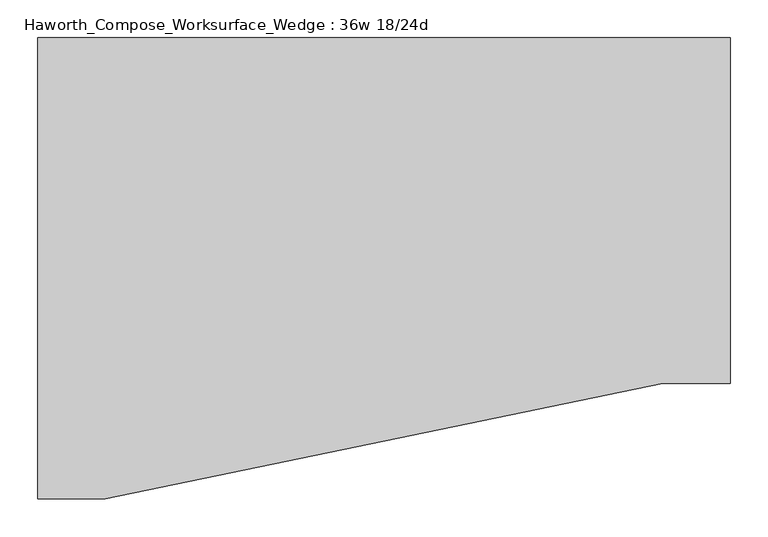
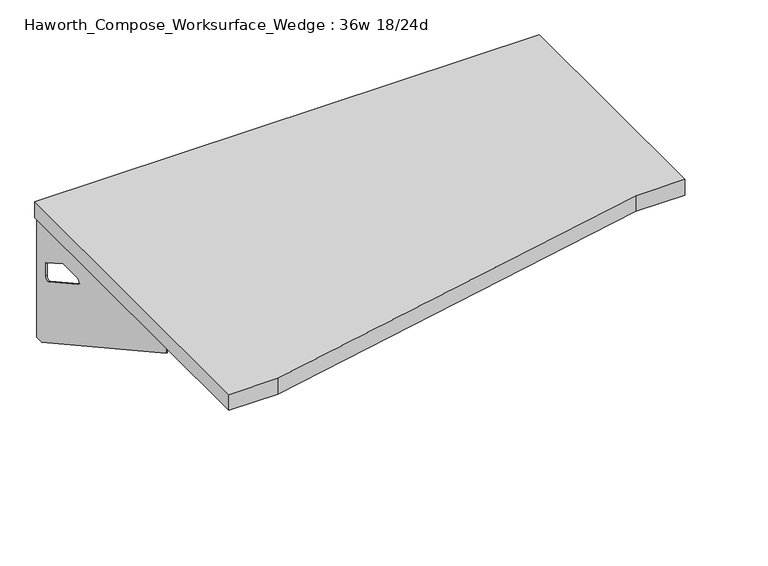
"""IFC4 building model written with IfcOpenShell, lengths in millimetres: furniture geometry, Haworth_Compose_Worksurface_Wedge : 36w 18/24d."""

from ifc_helpers import new_model, si_unit, frame, origin, place, context, project, spatial, polyline, circle_curve, outline, extrude, source, transform, mapped, element, save
from ifc_brep_helpers import plane_surface, revolved_surface, advanced_brep


def haworth_compose_worksurface_wedge_36w_18_24d_8f0cdddc(model_context):
    return source(origin(), model_context, "Body", "SolidModel", [
        advanced_brep(
        [(451.64375, 304.8, 475.45625), (451.64375, 288.925, 475.45625), (451.64375, -101.6, 691.7192568), (451.64375, -101.6, 704.05625), (451.64375, 288.925, 704.05625), (451.64375, 304.8, 704.05625), (451.64375, 221.490072, 665.95625), (451.64375, 177.8355284, 665.95625), (451.64375, 175.1564235, 656.3705539), (451.64375, 266.8776173, 605.5776439), (451.64375, 276.225, 611.1756969), (451.64375, 276.225, 634.6860246), (451.64375, 274.4730055, 637.5242776), (451.64375, 224.5663437, 665.1613425), (454.025, 304.8, 475.45625), (454.025, 304.8, 704.05625), (454.025, 288.925, 704.05625), (454.025, 288.925, 706.4375), (454.025, -101.6, 706.4375), (454.025, -101.6, 691.7192568), (454.025, 288.925, 475.45625), (454.025, 221.490072, 665.95625), (454.025, 224.5663437, 665.1613425), (454.025, 274.4730055, 637.5242776), (454.025, 276.225, 634.6860246), (454.025, 276.225, 611.1756969), (454.025, 266.8776173, 605.5776439), (454.025, 175.1564235, 656.3705539), (454.025, 177.8355284, 665.95625), (412.75, -101.6, 706.4375), (412.75, -101.6, 704.05625), (412.75, 288.925, 704.05625), (412.75, 288.925, 706.4375)],
        [
            (0, 1),
            (1, 2),
            (2, 3),
            (3, 4),
            (4, 5),
            (5, 0),
            (6, 7),
            (7, 8, circle_curve(frame((451.64375, 177.8355284, 660.7890106), z_axis=(1.0, 0.0, 0.0), x_axis=(0.0, -1.0, 0.0)), 5.1672394)),
            (8, 9),
            (9, 10, circle_curve(frame((451.64375, 269.875, 611.1756969), z_axis=(1.0, 0.0, 0.0), x_axis=(0.0, -1.0, 0.0)), 6.35)),
            (10, 11),
            (11, 12, circle_curve(frame((451.64375, 273.05, 634.6860246), z_axis=(1.0, 0.0, 0.0), x_axis=(0.0, -1.0, 0.0)), 3.175)),
            (12, 13),
            (13, 6, circle_curve(frame((451.64375, 221.490072, 659.60625), z_axis=(1.0, 0.0, 0.0), x_axis=(0.0, -1.0, 0.0)), 6.35)),
            (14, 15),
            (15, 16),
            (16, 17),
            (17, 18),
            (18, 19),
            (19, 20),
            (20, 14),
            (21, 22, circle_curve(frame((454.025, 221.490072, 659.60625), z_axis=(-1.0, 0.0, 0.0), x_axis=(0.0, -1.0, 0.0)), 6.35)),
            (22, 23),
            (23, 24, circle_curve(frame((454.025, 273.05, 634.6860246), z_axis=(-1.0, 0.0, 0.0), x_axis=(0.0, -1.0, 0.0)), 3.175)),
            (24, 25),
            (25, 26, circle_curve(frame((454.025, 269.875, 611.1756969), z_axis=(-1.0, 0.0, 0.0), x_axis=(0.0, -1.0, 0.0)), 6.35)),
            (26, 27),
            (27, 28, circle_curve(frame((454.025, 177.8355284, 660.7890106), z_axis=(-1.0, 0.0, 0.0), x_axis=(0.0, -1.0, 0.0)), 5.1672394)),
            (28, 21),
            (4, 16),
            (15, 5),
            (14, 0),
            (20, 1),
            (19, 2),
            (18, 29),
            (29, 30),
            (30, 3),
            (6, 21),
            (28, 7),
            (9, 26),
            (25, 10),
            (24, 11),
            (23, 12),
            (27, 8),
            (31, 4),
            (30, 31),
            (32, 29),
            (17, 32),
            (31, 32),
            (22, 13),
        ],
        [
            plane_surface(frame((451.64375, 304.8, 475.45625), z_axis=(-1.0, 0.0, 0.0), x_axis=(0.0, 1.0, 0.0))),
            plane_surface(frame((454.025, 304.8, 475.45625), z_axis=(1.0, 0.0, 0.0), x_axis=(0.0, -1.0, 0.0))),
            plane_surface(frame((454.025, -101.6, 704.05625), z_axis=(0.0, 0.0, 1.0), x_axis=(-1.0, 0.0, 0.0))),
            plane_surface(frame((454.025, 304.8, 704.05625), z_axis=(0.0, 1.0, 0.0), x_axis=(-1.0, 0.0, 0.0))),
            plane_surface(frame((454.025, 304.8, 475.45625), z_axis=(0.0, 0.0, -1.0), x_axis=(-1.0, 0.0, 0.0))),
            plane_surface(frame((454.025, 288.925, 475.45625), z_axis=(0.0, -0.48445223513455843, -0.8748177135112952), x_axis=(-1.0, 0.0, 0.0))),
            plane_surface(frame((454.025, -101.6, 691.7192568), z_axis=(0.0, -1.0, 0.0), x_axis=(-1.0, 0.0, 0.0))),
            plane_surface(frame((454.025, 221.490072, 665.95625), z_axis=(0.0, 0.0, -1.0), x_axis=(-1.0, 0.0, 0.0))),
            revolved_surface(polyline([(451.64375, 263.525, 611.1756969), (454.025, 263.525, 611.1756969)]), (454.025, 269.875, 611.1756969), (-1.0, 0.0, 0.0)),
            plane_surface(frame((454.025, 276.225, 611.1756969), z_axis=(0.0, -1.0, 0.0), x_axis=(-1.0, 0.0, 0.0))),
            revolved_surface(polyline([(451.64375, 269.875, 634.6860246), (454.025, 269.875, 634.6860246)]), (454.025, 273.05, 634.6860246), (-1.0, 0.0, 0.0)),
            revolved_surface(polyline([(451.64375, 172.668289, 660.7890106), (454.025, 172.668289, 660.7890106)]), (454.025, 177.8355284, 660.7890106), (-1.0, 0.0, 0.0)),
            plane_surface(frame((454.025, 288.925, 704.05625), z_axis=(0.0, 0.0, -1.0), x_axis=(-1.0, 0.0, 0.0))),
            plane_surface(frame((454.025, 288.925, 706.4375), z_axis=(0.0, 0.0, 1.0), x_axis=(1.0, 0.0, 0.0))),
            plane_surface(frame((412.75, 288.925, 706.4375), z_axis=(0.0, 1.0, 0.0), x_axis=(0.0, 0.0, -1.0))),
            plane_surface(frame((412.75, -101.6, 706.4375), z_axis=(-1.0, 0.0, 0.0), x_axis=(0.0, 0.0, -1.0))),
            plane_surface(frame((454.025, 175.1564235, 656.3705539), z_axis=(0.0, 0.4844522351345583, 0.8748177135112953), x_axis=(-1.0, 0.0, 0.0))),
            plane_surface(frame((454.025, 274.4730055, 637.5242776), z_axis=(0.0, -0.4844522351345582, -0.8748177135112953), x_axis=(-1.0, 0.0, 0.0))),
            revolved_surface(polyline([(451.64375, 215.140072, 659.60625), (454.025, 215.140072, 659.60625)]), (454.025, 221.490072, 659.60625), (-1.0, 0.0, 0.0)),
        ],
        [
            (0, [[1, 2, 3, 4, 5, 6], [7, 8, 9, 10, 11, 12, 13, 14]]),
            (1, [[15, 16, 17, 18, 19, 20, 21], [22, 23, 24, 25, 26, 27, 28, 29]]),
            (2, [[-5, 30, -16, 31]]),
            (3, [[-31, -15, 32, -6]]),
            (4, [[-32, -21, 33, -1]]),
            (5, [[-33, -20, 34, -2]]),
            (6, [[-34, -19, 35, 36, 37, -3]]),
            (7, [[38, -29, 39, -7]]),
            (8, [[40, -26, 41, -10]]),
            (9, [[-41, -25, 42, -11]]),
            (10, [[-42, -24, 43, -12]]),
            (11, [[-39, -28, 44, -8]]),
            (12, [[45, -4, -37, 46]]),
            (13, [[47, -35, -18, 48]]),
            (14, [[-17, -30, -45, 49, -48]]),
            (15, [[-36, -47, -49, -46]]),
            (16, [[-44, -27, -40, -9]]),
            (17, [[-43, -23, 50, -13]]),
            (18, [[-50, -22, -38, -14]]),
        ],
    ),
        advanced_brep(
        [(-451.64375, 304.8, 475.45625), (-451.64375, 304.8, 704.05625), (-451.64375, 288.925, 704.05625), (-451.64375, -101.6, 704.05625), (-451.64375, -101.6, 691.7192568), (-451.64375, 288.925, 475.45625), (-451.64375, 221.490072, 665.95625), (-451.64375, 224.5663437, 665.1613425), (-451.64375, 274.4730055, 637.5242776), (-451.64375, 276.225, 634.6860246), (-451.64375, 276.225, 611.1756969), (-451.64375, 266.8776173, 605.5776439), (-451.64375, 175.1564235, 656.3705539), (-451.64375, 177.8355284, 665.95625), (-454.025, 304.8, 475.45625), (-454.025, 288.925, 475.45625), (-454.025, -101.6, 691.7192568), (-454.025, -101.6, 706.4375), (-454.025, 288.925, 706.4375), (-454.025, 288.925, 704.05625), (-454.025, 304.8, 704.05625), (-454.025, 221.490072, 665.95625), (-454.025, 177.8355284, 665.95625), (-454.025, 175.1564235, 656.3705539), (-454.025, 266.8776173, 605.5776439), (-454.025, 276.225, 611.1756969), (-454.025, 276.225, 634.6860246), (-454.025, 274.4730055, 637.5242776), (-454.025, 224.5663437, 665.1613425), (-412.75, -101.6, 704.05625), (-412.75, -101.6, 706.4375), (-412.75, 288.925, 704.05625), (-412.75, 288.925, 706.4375)],
        [
            (0, 1),
            (1, 2),
            (2, 3),
            (3, 4),
            (4, 5),
            (5, 0),
            (6, 7, circle_curve(frame((-451.64375, 221.490072, 659.60625), z_axis=(-1.0, 0.0, 0.0), x_axis=(0.0, -1.0, 0.0)), 6.35)),
            (7, 8),
            (8, 9, circle_curve(frame((-451.64375, 273.05, 634.6860246), z_axis=(-1.0, 0.0, 0.0), x_axis=(0.0, -1.0, 0.0)), 3.175)),
            (9, 10),
            (10, 11, circle_curve(frame((-451.64375, 269.875, 611.1756969), z_axis=(-1.0, 0.0, 0.0), x_axis=(0.0, -1.0, 0.0)), 6.35)),
            (11, 12),
            (12, 13, circle_curve(frame((-451.64375, 177.8355284, 660.7890106), z_axis=(-1.0, 0.0, 0.0), x_axis=(0.0, -1.0, 0.0)), 5.1672394)),
            (13, 6),
            (14, 15),
            (15, 16),
            (16, 17),
            (17, 18),
            (18, 19),
            (19, 20),
            (20, 14),
            (21, 22),
            (22, 23, circle_curve(frame((-454.025, 177.8355284, 660.7890106), z_axis=(1.0, 0.0, 0.0), x_axis=(0.0, -1.0, 0.0)), 5.1672394)),
            (23, 24),
            (24, 25, circle_curve(frame((-454.025, 269.875, 611.1756969), z_axis=(1.0, 0.0, 0.0), x_axis=(0.0, -1.0, 0.0)), 6.35)),
            (25, 26),
            (26, 27, circle_curve(frame((-454.025, 273.05, 634.6860246), z_axis=(1.0, 0.0, 0.0), x_axis=(0.0, -1.0, 0.0)), 3.175)),
            (27, 28),
            (28, 21, circle_curve(frame((-454.025, 221.490072, 659.60625), z_axis=(1.0, 0.0, 0.0), x_axis=(0.0, -1.0, 0.0)), 6.35)),
            (1, 20),
            (19, 2),
            (0, 14),
            (5, 15),
            (4, 16),
            (3, 29),
            (29, 30),
            (30, 17),
            (13, 22),
            (21, 6),
            (10, 25),
            (24, 11),
            (9, 26),
            (8, 27),
            (12, 23),
            (31, 29),
            (2, 31),
            (32, 18),
            (30, 32),
            (32, 31),
            (7, 28),
        ],
        [
            plane_surface(frame((-451.64375, 304.8, 475.45625), z_axis=(1.0, 0.0, 0.0), x_axis=(0.0, 1.0, 0.0))),
            plane_surface(frame((-454.025, 304.8, 475.45625), z_axis=(-1.0, 0.0, 0.0), x_axis=(0.0, -1.0, 0.0))),
            plane_surface(frame((-454.025, -101.6, 704.05625), z_axis=(0.0, 0.0, 1.0), x_axis=(1.0, 0.0, 0.0))),
            plane_surface(frame((-454.025, 304.8, 704.05625), z_axis=(0.0, 1.0, 0.0), x_axis=(1.0, 0.0, 0.0))),
            plane_surface(frame((-454.025, 304.8, 475.45625), z_axis=(0.0, 0.0, -1.0), x_axis=(1.0, 0.0, 0.0))),
            plane_surface(frame((-454.025, 288.925, 475.45625), z_axis=(0.0, -0.48445223513455843, -0.8748177135112952), x_axis=(1.0, 0.0, 0.0))),
            plane_surface(frame((-454.025, -101.6, 691.7192568), z_axis=(0.0, -1.0, 0.0), x_axis=(1.0, 0.0, 0.0))),
            plane_surface(frame((-454.025, 221.490072, 665.95625), z_axis=(0.0, 0.0, -1.0), x_axis=(1.0, 0.0, 0.0))),
            revolved_surface(polyline([(-451.64375, 263.525, 611.1756969), (-454.025, 263.525, 611.1756969)]), (-454.025, 269.875, 611.1756969), (1.0, 0.0, 0.0)),
            plane_surface(frame((-454.025, 276.225, 611.1756969), z_axis=(0.0, -1.0, 0.0), x_axis=(1.0, 0.0, 0.0))),
            revolved_surface(polyline([(-451.64375, 269.875, 634.6860246), (-454.025, 269.875, 634.6860246)]), (-454.025, 273.05, 634.6860246), (1.0, 0.0, 0.0)),
            revolved_surface(polyline([(-451.64375, 172.668289, 660.7890106), (-454.025, 172.668289, 660.7890106)]), (-454.025, 177.8355284, 660.7890106), (1.0, 0.0, 0.0)),
            plane_surface(frame((-454.025, 288.925, 704.05625), z_axis=(0.0, 0.0, -1.0), x_axis=(1.0, 0.0, 0.0))),
            plane_surface(frame((-454.025, 288.925, 706.4375), z_axis=(0.0, 0.0, 1.0), x_axis=(-1.0, 0.0, 0.0))),
            plane_surface(frame((-412.75, 288.925, 706.4375), z_axis=(0.0, 1.0, 0.0), x_axis=(0.0, 0.0, -1.0))),
            plane_surface(frame((-412.75, -101.6, 706.4375), z_axis=(1.0, 0.0, 0.0), x_axis=(0.0, 0.0, -1.0))),
            plane_surface(frame((-454.025, 175.1564235, 656.3705539), z_axis=(0.0, 0.4844522351345583, 0.8748177135112953), x_axis=(1.0, 0.0, 0.0))),
            plane_surface(frame((-454.025, 274.4730055, 637.5242776), z_axis=(0.0, -0.4844522351345582, -0.8748177135112953), x_axis=(1.0, 0.0, 0.0))),
            revolved_surface(polyline([(-451.64375, 215.140072, 659.60625), (-454.025, 215.140072, 659.60625)]), (-454.025, 221.490072, 659.60625), (1.0, 0.0, 0.0)),
        ],
        [
            (0, [[1, 2, 3, 4, 5, 6], [7, 8, 9, 10, 11, 12, 13, 14]]),
            (1, [[15, 16, 17, 18, 19, 20, 21], [22, 23, 24, 25, 26, 27, 28, 29]]),
            (2, [[30, -20, 31, -2]]),
            (3, [[-1, 32, -21, -30]]),
            (4, [[-6, 33, -15, -32]]),
            (5, [[-5, 34, -16, -33]]),
            (6, [[-4, 35, 36, 37, -17, -34]]),
            (7, [[-14, 38, -22, 39]]),
            (8, [[-11, 40, -25, 41]]),
            (9, [[-10, 42, -26, -40]]),
            (10, [[-9, 43, -27, -42]]),
            (11, [[-13, 44, -23, -38]]),
            (12, [[45, -35, -3, 46]]),
            (13, [[47, -18, -37, 48]]),
            (14, [[-47, 49, -46, -31, -19]]),
            (15, [[-45, -49, -48, -36]]),
            (16, [[-12, -41, -24, -44]]),
            (17, [[-8, 50, -28, -43]]),
            (18, [[-7, -39, -29, -50]]),
        ],
    ),
        extrude(outline(polyline([(457.2, 304.8), (457.2, -152.4), (368.3, -152.4), (-368.3, -304.8), (-457.2, -304.8), (-457.2, 304.8), (457.2, 304.8)])), frame((0.0, 0.0, 706.4375), z_axis=(0.0, 0.0, 1.0), x_axis=(1.0, 0.0, 0.0)), (0.0, 0.0, 1.0), 30.1625),
    ])


if __name__ == "__main__":
    model = new_model("IFC4")
    model_context = context("Model", 3, world=origin())
    ifc_project = project(units=[si_unit("LENGTHUNIT", "METRE", prefix="MILLI")], contexts=[model_context])
    site = spatial("IfcSite", under=ifc_project)
    building = spatial("IfcBuilding", under=site)
    placement = place(None, origin())
    haworth_compose_worksurface_wedge_36w_18_24d_shape = haworth_compose_worksurface_wedge_36w_18_24d_8f0cdddc(model_context)
    element("IfcFurniture", 1, ObjectType="Haworth_Compose_Worksurface_Wedge : 36w 18/24d", at=placement, inside=building, context=model_context, shape_type="MappedRepresentation", body=[
        mapped(haworth_compose_worksurface_wedge_36w_18_24d_shape, transform((0.0, 0.0, 0.0), x_axis=(1.0, 0.0, 0.0), y_axis=(0.0, 1.0, 0.0), z_axis=(0.0, 0.0, 1.0))),
    ])
    save(model, "model.ifc")
